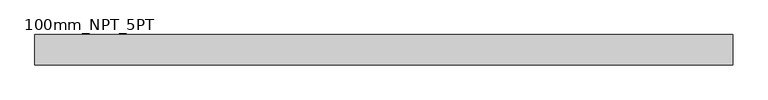
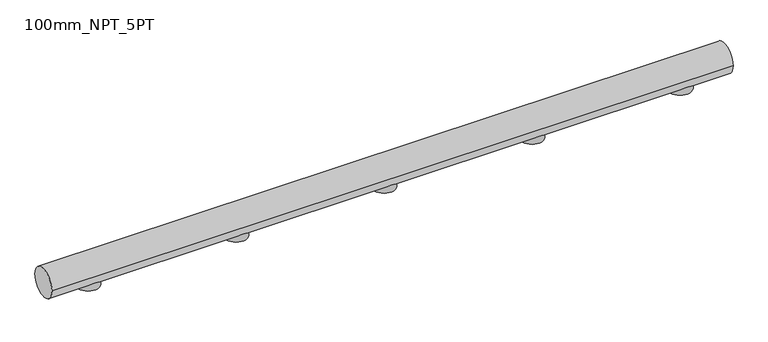
"""IFC4 building model written with IfcOpenShell, lengths in millimetres: proxy geometry, 100mm_NPT_5PT."""

from ifc_helpers import new_model, si_unit, point, frame, frame_2d, origin, place, context, project, spatial, circle_curve, trimmed, segment, composite_curve, outline, extrude, source, transform, mapped, element, save


def proxy_100mm_npt_5pt_beb2e434(model_context):
    return source(origin(), model_context, "Body", "SweptSolid", [
        extrude(outline(composite_curve([segment(trimmed(circle_curve(frame_2d((1750.0, 0.0)), 38.0), [point((1712.0, 0.0))], [point((1788.0, 0.0))], False, "CARTESIAN"), True, "CONTINUOUS"), segment(trimmed(circle_curve(frame_2d((1750.0, 0.0)), 38.0), [point((1788.0, 0.0))], [point((1712.0, 0.0))], False, "CARTESIAN"), True, "CONTINUOUS")], self_intersect=False)), frame((0.0, 0.0, -17.10201), z_axis=(0.0, 0.0, 1.0), x_axis=(1.0, 0.0, 0.0)), (0.0, 0.0, 1.0), 67.4327816),
        extrude(outline(composite_curve([segment(trimmed(circle_curve(frame_2d((1250.0, 0.0)), 38.0), [point((1212.0, 0.0))], [point((1288.0, 0.0))], False, "CARTESIAN"), True, "CONTINUOUS"), segment(trimmed(circle_curve(frame_2d((1250.0, 0.0)), 38.0), [point((1288.0, 0.0))], [point((1212.0, 0.0))], False, "CARTESIAN"), True, "CONTINUOUS")], self_intersect=False)), frame((0.0, 0.0, -17.10201), z_axis=(0.0, 0.0, 1.0), x_axis=(1.0, 0.0, 0.0)), (0.0, 0.0, 1.0), 67.4327816),
        extrude(outline(composite_curve([segment(trimmed(circle_curve(frame_2d((750.0, 0.0)), 38.0), [point((712.0, 0.0))], [point((788.0, 0.0))], False, "CARTESIAN"), True, "CONTINUOUS"), segment(trimmed(circle_curve(frame_2d((750.0, 0.0)), 38.0), [point((788.0, 0.0))], [point((712.0, 0.0))], False, "CARTESIAN"), True, "CONTINUOUS")], self_intersect=False)), frame((0.0, 0.0, -17.10201), z_axis=(0.0, 0.0, 1.0), x_axis=(1.0, 0.0, 0.0)), (0.0, 0.0, 1.0), 67.4327816),
        extrude(outline(composite_curve([segment(trimmed(circle_curve(frame_2d((250.0, 0.0)), 38.0), [point((212.0, 0.0))], [point((288.0, 0.0))], False, "CARTESIAN"), True, "CONTINUOUS"), segment(trimmed(circle_curve(frame_2d((250.0, 0.0)), 38.0), [point((288.0, 0.0))], [point((212.0, 0.0))], False, "CARTESIAN"), True, "CONTINUOUS")], self_intersect=False)), frame((0.0, 0.0, -17.10201), z_axis=(0.0, 0.0, 1.0), x_axis=(1.0, 0.0, 0.0)), (0.0, 0.0, 1.0), 67.4327816),
        extrude(outline(composite_curve([segment(trimmed(circle_curve(frame_2d((-250.0, 0.0)), 38.0), [point((-288.0, 0.0))], [point((-212.0, 0.0))], False, "CARTESIAN"), True, "CONTINUOUS"), segment(trimmed(circle_curve(frame_2d((-250.0, 0.0)), 38.0), [point((-212.0, 0.0))], [point((-288.0, 0.0))], False, "CARTESIAN"), True, "CONTINUOUS")], self_intersect=False)), frame((0.0, 0.0, -17.10201), z_axis=(0.0, 0.0, 1.0), x_axis=(1.0, 0.0, 0.0)), (0.0, 0.0, 1.0), 67.4327816),
        extrude(outline(composite_curve([segment(trimmed(circle_curve(frame_2d((0.0, 40.0)), 50.0), [point((-50.0, 40.0))], [point((50.0, 40.0))], False, "CARTESIAN"), True, "CONTINUOUS"), segment(trimmed(circle_curve(frame_2d((0.0, 40.0)), 50.0), [point((50.0, 40.0))], [point((-50.0, 40.0))], False, "CARTESIAN"), True, "CONTINUOUS")], self_intersect=False)), frame((-400.0, 0.0, 0.0), z_axis=(1.0, 0.0, 0.0), x_axis=(0.0, 1.0, 0.0)), (0.0, 0.0, 1.0), 2300.0),
    ])


if __name__ == "__main__":
    model = new_model("IFC4")
    model_context = context("Model", 3, world=origin())
    ifc_project = project(units=[si_unit("LENGTHUNIT", "METRE", prefix="MILLI")], contexts=[model_context])
    site = spatial("IfcSite", under=ifc_project)
    building = spatial("IfcBuilding", under=site)
    placement = place(None, origin())
    proxy_100mm_npt_5pt_shape = proxy_100mm_npt_5pt_beb2e434(model_context)
    element("IfcBuildingElementProxy", 1, Name="100mm_NPT_5PT", ObjectType="100mm_NPT_5PT", at=placement, inside=building, context=model_context, shape_type="MappedRepresentation", body=[
        mapped(proxy_100mm_npt_5pt_shape, transform((0.0, 0.0, 0.0), x_axis=(1.0, 0.0, 0.0), y_axis=(0.0, 1.0, 0.0), z_axis=(0.0, 0.0, 1.0))),
    ])
    save(model, "model.ifc")
